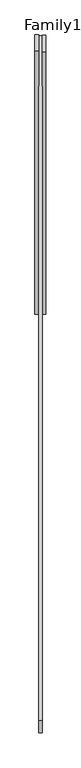
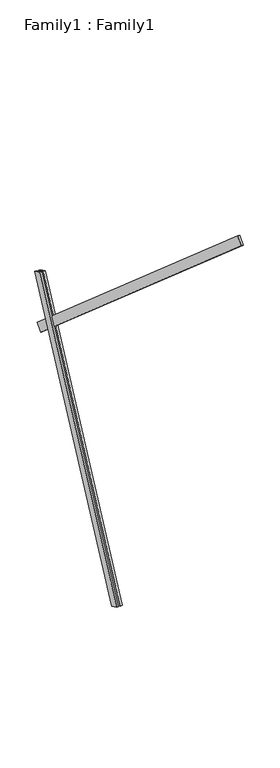
"""IFC4 building model written with IfcOpenShell, lengths in millimetres: proxy geometry, Family1 : Family1."""

from ifc_helpers import new_model, si_unit, frame, origin, place, context, project, spatial, polyline, outline, extrude, source, transform, mapped, element, save


def family1_family1_c1cb2b1e(model_context):
    return source(origin(), model_context, "Body", "SweptSolid", [
        extrude(outline(polyline([(0.0, 0.0), (0.0, -20.0), (-100.0000001, -20.0), (-100.0000001, 0.0), (0.0, 0.0)])), frame((-30.0, 46.3241747, -22.5938096), z_axis=(0.0, 0.4383711467890692, 0.8987940462991711), x_axis=(0.0, 0.8987940462991711, -0.4383711467890692)), (0.0, 0.0, 1.0), 3300.0),
        extrude(outline(polyline([(0.0, 0.0), (0.0, -20.0), (-99.9999999, -20.0), (-99.9999999, 0.0), (0.0, 0.0)])), frame((10.0, 45.270232, -22.0797674), z_axis=(0.0, 0.4383711467890692, 0.8987940462991711), x_axis=(0.0, 0.8987940462991711, -0.4383711467890692)), (0.0, 0.0, 1.0), 3300.0),
        extrude(outline(polyline([(0.0, -20.0), (0.0, 0.0), (5000.0, 0.0), (5000.0, -20.0), (0.0, -20.0)])), frame((-10.0, -2351.1874251, 5561.2253543), z_axis=(0.0, 0.6560590289905086, 0.7547095802227709), x_axis=(0.0, 0.7547095802227709, -0.6560590289905086)), (0.0, 0.0, 1.0), 100.0),
    ])


if __name__ == "__main__":
    model = new_model("IFC4")
    model_context = context("Model", 3, world=origin())
    ifc_project = project(units=[si_unit("LENGTHUNIT", "METRE", prefix="MILLI")], contexts=[model_context])
    site = spatial("IfcSite", under=ifc_project)
    building = spatial("IfcBuilding", under=site)
    placement = place(None, origin())
    family1_family1_shape = family1_family1_c1cb2b1e(model_context)
    element("IfcBuildingElementProxy", 1, Name="Family1 : Family1", ObjectType="Family1 : Family1", at=placement, inside=building, context=model_context, shape_type="MappedRepresentation", body=[
        mapped(family1_family1_shape, transform((0.0, 0.0, 0.0), x_axis=(1.0, 0.0, 0.0), y_axis=(0.0, 1.0, 0.0), z_axis=(0.0, 0.0, 1.0))),
    ])
    save(model, "model.ifc")
